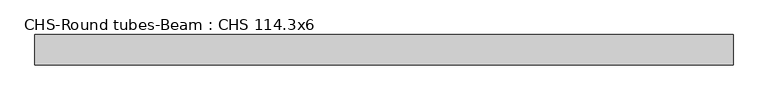
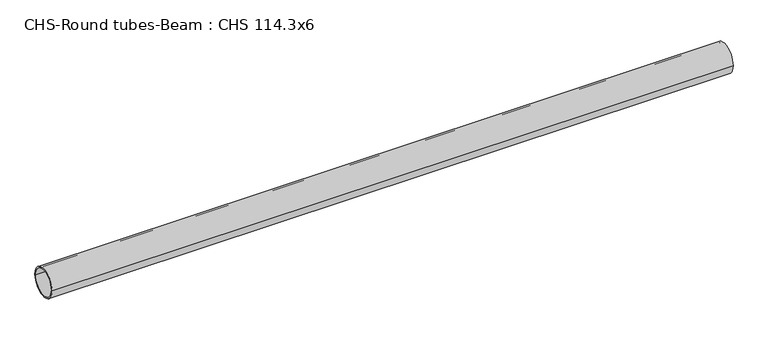
"""IFC4 building model written with IfcOpenShell, lengths in millimetres: beam geometry, CHS-Round tubes-Beam : CHS 114.3x6."""

from ifc_helpers import new_model, si_unit, point, frame, origin, origin_2d, place, context, project, spatial, circle_curve, trimmed, segment, composite_curve, outline, extrude, source, transform, mapped, element, save


def chs_round_tubes_beam_chs_114_3x6_1a97e108(model_context):
    return source(origin(), model_context, "Body", "SweptSolid", [
        extrude(outline(composite_curve([segment(trimmed(circle_curve(origin_2d(), 57.15), [point((57.15, 0.0))], [point((-57.15, 0.0))], False, "CARTESIAN"), True, "CONTINUOUS"), segment(trimmed(circle_curve(origin_2d(), 57.15), [point((-57.15, 0.0))], [point((57.15, 0.0))], False, "CARTESIAN"), True, "CONTINUOUS")], self_intersect=False), holes=[composite_curve([segment(trimmed(circle_curve(origin_2d(), 51.15), [point((51.15, 0.0))], [point((-51.15, 0.0))], True, "CARTESIAN"), True, "CONTINUOUS"), segment(trimmed(circle_curve(origin_2d(), 51.15), [point((-51.15, 0.0))], [point((51.15, 0.0))], True, "CARTESIAN"), True, "CONTINUOUS")], self_intersect=False)]), frame((-1256.6485425, 0.0, 0.0), z_axis=(1.0, 0.0, 0.0), x_axis=(0.0, 1.0, 0.0)), (0.0, 0.0, 1.0), 2630.1560597),
    ])


if __name__ == "__main__":
    model = new_model("IFC4")
    model_context = context("Model", 3, world=origin())
    ifc_project = project(units=[si_unit("LENGTHUNIT", "METRE", prefix="MILLI")], contexts=[model_context])
    site = spatial("IfcSite", under=ifc_project)
    building = spatial("IfcBuilding", under=site)
    placement = place(None, origin())
    chs_round_tubes_beam_chs_114_3x6_shape = chs_round_tubes_beam_chs_114_3x6_1a97e108(model_context)
    element("IfcBeam", 1, ObjectType="CHS-Round tubes-Beam : CHS 114.3x6", at=placement, inside=building, context=model_context, shape_type="MappedRepresentation", body=[
        mapped(chs_round_tubes_beam_chs_114_3x6_shape, transform((0.0, 0.0, 0.0), x_axis=(1.0, 0.0, 0.0), y_axis=(0.0, 1.0, 0.0), z_axis=(0.0, 0.0, 1.0))),
    ])
    save(model, "model.ifc")
